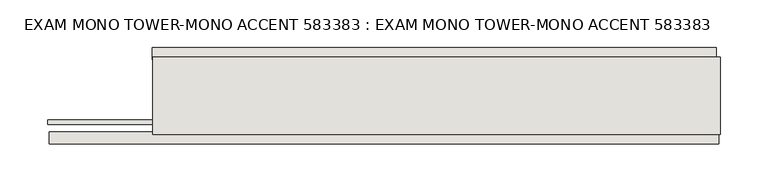
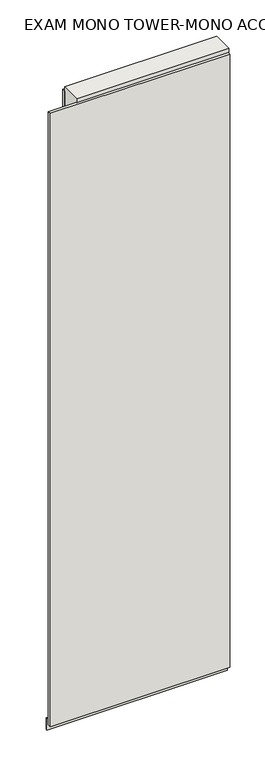
"""IFC4 building model written with IfcOpenShell, lengths in millimetres: wall geometry, EXAM MONO TOWER-MONO ACCENT 583383 : EXAM MONO TOWER-MONO ACCENT 583383."""

from ifc_helpers import new_model, si_unit, frame, origin, place, context, project, spatial, polyline, outline, extrude, source, transform, mapped, element, save


def exam_mono_tower_mono_accent_583383_exam_mono_tower_mono_ee59dea7(model_context):
    return source(origin(), model_context, "Body", "SweptSolid", [
        extrude(outline(polyline([(52468.4265336, -43072.1845692), (52470.9665336, -43072.1845692), (52470.9665336, -43074.7245692), (52468.4265336, -43074.7245692), (52468.4265336, -43072.1845692)])), frame((0.0, 0.0, 4419.6), z_axis=(0.0, 0.0, 1.0), x_axis=(1.0, 0.0, 0.0)), (0.0, 0.0, 1.0), 2.54),
        extrude(outline(polyline([(52468.9657248, -43124.2545692), (51765.4657348, -43124.2545692), (51765.4657348, -43111.5545692), (52468.9657248, -43111.5545692), (52468.9657248, -43124.2545692)])), frame((0.0, 0.0, 4445.0), z_axis=(0.0, 0.0, 1.0), x_axis=(1.0, 0.0, 0.0)), (0.0, 0.0, 1.0), 2545.0498756),
        extrude(outline(polyline([(51873.5997324, -43022.6545692), (52466.4996896, -43022.6545692), (52466.4996896, -43035.3545692), (51873.5997324, -43035.3545692), (51873.5997324, -43022.6545692)])), frame((0.0, 0.0, 4445.0), z_axis=(0.0, 0.0, 1.0), x_axis=(1.0, 0.0, 0.0)), (0.0, 0.0, 1.0), 2545.0498756),
        extrude(outline(polyline([(51763.4729778, -43098.5414126), (52470.9615806, -43098.5414126), (52470.9615806, -43103.6232668), (51763.4729778, -43103.6232668), (51763.4729778, -43098.5414126)])), frame((0.0, 0.0, 4418.6602), z_axis=(0.0, 0.0, 1.0), x_axis=(1.0, 0.0, 0.0)), (0.0, 0.0, 1.0), 47.625),
        extrude(outline(polyline([(51763.4729778, -43098.5414126), (52470.9615806, -43098.5414126), (52470.9615806, -43103.6232668), (51763.4729778, -43103.6232668), (51763.4729778, -43098.5414126)])), frame((0.0, 0.0, 4418.6602), z_axis=(0.0, 0.0, 1.0), x_axis=(1.0, 0.0, 0.0)), (0.0, 0.0, 1.0), 47.625),
        extrude(outline(polyline([(52470.9615806, -43048.3770222), (51874.0646794, -43048.3770222), (51874.0646794, -43043.2982668), (52470.9615806, -43043.2982668), (52470.9615806, -43048.3770222)])), frame((0.0, 0.0, 4418.6602), z_axis=(0.0, 0.0, 1.0), x_axis=(1.0, 0.0, 0.0)), (0.0, 0.0, 1.0), 47.625),
        extrude(outline(polyline([(52470.9615806, -43048.3770222), (51874.0646794, -43048.3770222), (51874.0646794, -43043.2982668), (52470.9615806, -43043.2982668), (52470.9615806, -43048.3770222)])), frame((0.0, 0.0, 4418.6602), z_axis=(0.0, 0.0, 1.0), x_axis=(1.0, 0.0, 0.0)), (0.0, 0.0, 1.0), 47.625),
        extrude(outline(polyline([(51874.0646794, -43114.0877366), (51874.0646794, -43032.8058824), (52470.9615806, -43032.8058824), (52470.9615806, -43114.0877366), (51874.0646794, -43114.0877366)])), frame((0.0, 0.0, 4445.0), z_axis=(0.0, 0.0, 1.0), x_axis=(1.0, 0.0, 0.0)), (0.0, 0.0, 1.0), 2562.4536762),
    ])


if __name__ == "__main__":
    model = new_model("IFC4")
    model_context = context("Model", 3, world=origin())
    ifc_project = project(units=[si_unit("LENGTHUNIT", "METRE", prefix="MILLI")], contexts=[model_context])
    site = spatial("IfcSite", under=ifc_project)
    building = spatial("IfcBuilding", under=site)
    placement = place(None, origin())
    exam_mono_tower_mono_accent_583383_exam_mono_tower_mono_shape = exam_mono_tower_mono_accent_583383_exam_mono_tower_mono_ee59dea7(model_context)
    element("IfcWall", 1, ObjectType="EXAM MONO TOWER-MONO ACCENT 583383 : EXAM MONO TOWER-MONO ACCENT 583383", at=placement, inside=building, context=model_context, shape_type="MappedRepresentation", body=[
        mapped(exam_mono_tower_mono_accent_583383_exam_mono_tower_mono_shape, transform((0.0, 0.0, 0.0), x_axis=(1.0, 0.0, 0.0), y_axis=(0.0, 1.0, 0.0), z_axis=(0.0, 0.0, 1.0))),
    ])
    save(model, "model.ifc")
